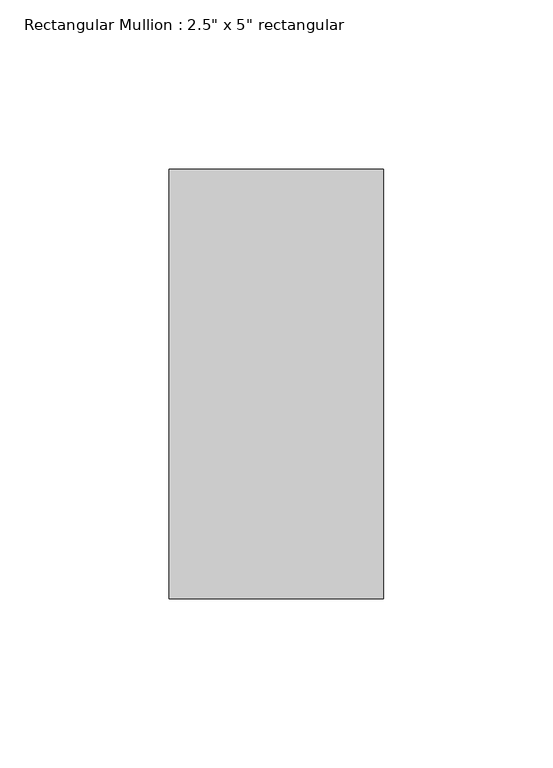
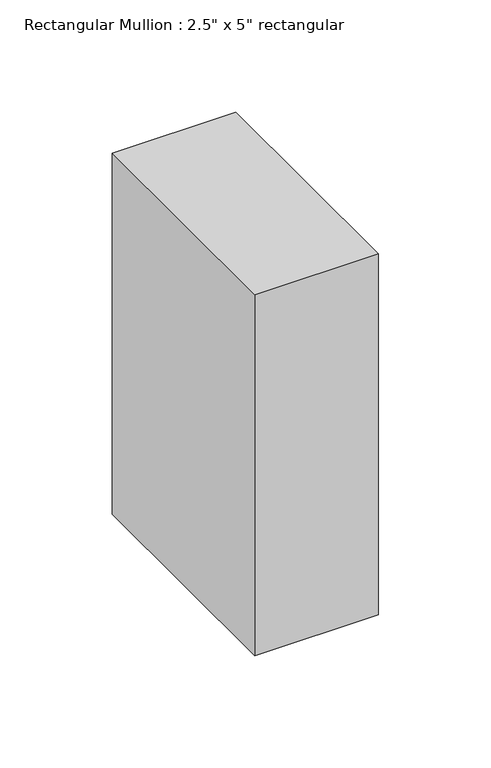
"""IFC4 building model written with IfcOpenShell, lengths in millimetres: member geometry."""

from ifc_helpers import new_model, si_unit, frame, origin, place, context, project, spatial, polyline, outline, extrude, source, transform, mapped, element, save


def member_348fc53d(model_context):
    return source(origin(), model_context, "Body", "SweptSolid", [
        extrude(outline(polyline([(31.75, 63.5), (31.75, -63.5), (-31.75, -63.5), (-31.75, 63.5), (31.75, 63.5)])), frame((0.0, 0.0, -196.1825777), z_axis=(0.0, 0.0, 1.0), x_axis=(1.0, 0.0, 0.0)), (0.0, 0.0, 1.0), 196.1825777),
    ])


if __name__ == "__main__":
    model = new_model("IFC4")
    model_context = context("Model", 3, world=origin())
    ifc_project = project(units=[si_unit("LENGTHUNIT", "METRE", prefix="MILLI")], contexts=[model_context])
    site = spatial("IfcSite", under=ifc_project)
    building = spatial("IfcBuilding", under=site)
    placement = place(None, origin())
    member_shape = member_348fc53d(model_context)
    element("IfcMember", 1, ObjectType="Rectangular Mullion : 2.5\" x 5\" rectangular", at=placement, inside=building, context=model_context, shape_type="MappedRepresentation", body=[
        mapped(member_shape, transform((0.0, 0.0, 0.0), x_axis=(1.0, 0.0, 0.0), y_axis=(0.0, 1.0, 0.0), z_axis=(0.0, 0.0, 1.0))),
    ])
    save(model, "model.ifc")
